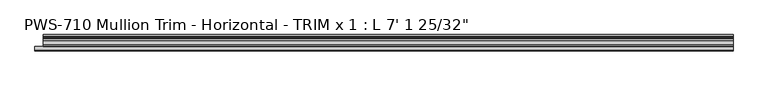
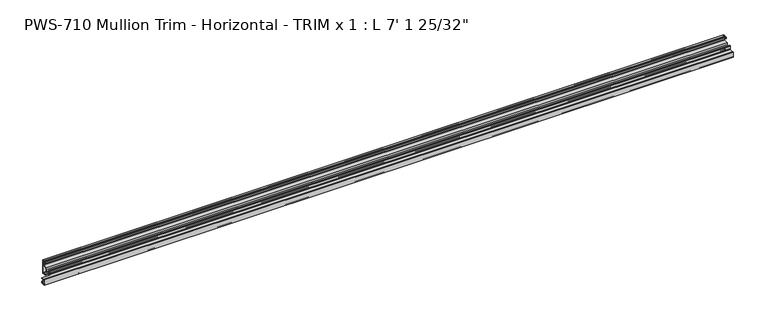
"""IFC4 building model written with IfcOpenShell, lengths in millimetres: proxy geometry."""

import ifcopenshell
import ifcopenshell.guid

model = None  # the IFC model being written
_history = None  # IfcOwnerHistory: only IFC2X3 demands one
_inside = {}  # id of a spatial element -> (the spatial element, [elements in it])
_under = {}  # id of a project, library or spatial element -> (it, [spatial elements below it])
_declared = {}  # id of a project -> (the project, [libraries it declares])
_typed = {}  # id of a type object -> (the type object, [elements of that type])
_made_of = {}  # id of a material, layer set ... -> (it, [elements and type objects made of it])


def new_model(schema):
    """Start an empty IFC model of exactly this schema.

    Asked for "IFC4X3", IfcOpenShell would pick the latest addendum, in which some entities
    have other attributes; the version numbers below select the first issue.
    IFC2X3 requires an IfcOwnerHistory on every rooted entity: one is made here for all.
    """
    global model, _history
    if schema == "IFC4X3":
        model = ifcopenshell.file(schema_version=(4, 3, 0, 0))
    else:
        model = ifcopenshell.file(schema=schema)
    _inside.clear()
    _under.clear()
    _declared.clear()
    _typed.clear()
    _made_of.clear()
    _history = None
    if model.schema == "IFC2X3":
        org = make("IfcOrganization", Name="unknown")
        user = make(
            "IfcPersonAndOrganization",
            ThePerson=make("IfcPerson", FamilyName="unknown"),
            TheOrganization=org,
        )
        app = make(
            "IfcApplication",
            ApplicationDeveloper=org,
            Version="unknown",
            ApplicationFullName="unknown",
            ApplicationIdentifier="unknown",
        )
        _history = make(
            "IfcOwnerHistory",
            OwningUser=user,
            OwningApplication=app,
            ChangeAction="ADDED",
            CreationDate=0,
        )
    return model


def make(cls, **values):
    """One entity of the class cls with the attributes given. An attribute that is None is left unset."""
    return model.create_entity(
        cls, **{name: value for name, value in values.items() if value is not None}
    )


def rooted(cls, **values):
    """An entity with a GlobalId (a new one), such as an element, a storey or a relation."""
    return make(cls, GlobalId=ifcopenshell.guid.new(), OwnerHistory=_history, **values)


def si_unit(unit_type, name, prefix=None):
    """IfcSIUnit, for example si_unit("LENGTHUNIT", "METRE", prefix="MILLI")."""
    return make("IfcSIUnit", UnitType=unit_type, Prefix=prefix, Name=name)


def assignment(units):
    """IfcUnitAssignment: the units of a project."""
    return None if units is None else make("IfcUnitAssignment", Units=units)


def point(xyz):
    """IfcCartesianPoint."""
    return None if xyz is None else make("IfcCartesianPoint", Coordinates=xyz)


def direction(xyz):
    """IfcDirection."""
    return None if xyz is None else make("IfcDirection", DirectionRatios=xyz)


def frame(location, z_axis=None, x_axis=None):
    """IfcAxis2Placement3D, a coordinate frame: its origin and axes. An axis left out is left unset."""
    return make(
        "IfcAxis2Placement3D",
        Location=point(location),
        Axis=direction(z_axis),
        RefDirection=direction(x_axis),
    )


def origin():
    """The frame at (0, 0, 0) with its axes left unset."""
    return frame((0.0, 0.0, 0.0))


def place(relative_to, where):
    """IfcLocalPlacement: puts the frame where relative to a parent placement (None: the world)."""
    return make(
        "IfcLocalPlacement", PlacementRelTo=relative_to, RelativePlacement=where
    )


def context(
    kind, dimensions, precision=None, world=None, true_north=None, identifier=None
):
    """IfcGeometricRepresentationContext, for example the 3D "Model" context."""
    return make(
        "IfcGeometricRepresentationContext",
        ContextIdentifier=identifier,
        ContextType=kind,
        CoordinateSpaceDimension=dimensions,
        Precision=precision,
        WorldCoordinateSystem=world,
        TrueNorth=true_north,
    )


def project(units=None, contexts=None):
    """IfcProject with its units and contexts."""
    return rooted(
        "IfcProject",
        Name="project",
        RepresentationContexts=contexts,
        UnitsInContext=assignment(units),
    )


def spatial(cls, under=None, at=None, **own):
    """A site, building, storey or space (cls), placed at a placement, below another one or the project."""
    s = rooted(cls, ObjectPlacement=at, **own)
    if under is not None:
        _under.setdefault(under.id(), (under, []))[1].append(s)
    return s


def polyline(points):
    """IfcPolyline through the points."""
    return make("IfcPolyline", Points=[point(p) for p in points])


def circle_curve(where, radius):
    """IfcCircle in the frame where."""
    return make("IfcCircle", Position=where, Radius=radius)


def shape(context_of_items, identifier, shape_type, items):
    """IfcShapeRepresentation: the items that make up one representation, for example the "Body"."""
    return make(
        "IfcShapeRepresentation",
        ContextOfItems=context_of_items,
        RepresentationIdentifier=identifier,
        RepresentationType=shape_type,
        Items=items,
    )


def source(mapping_origin, context_of_items, identifier, shape_type, items):
    """IfcRepresentationMap: a shape defined once, which mapped items show again and again."""
    return make(
        "IfcRepresentationMap",
        MappingOrigin=mapping_origin,
        MappedRepresentation=shape(context_of_items, identifier, shape_type, items),
    )


def transform(
    local_origin,
    x_axis=None,
    y_axis=None,
    z_axis=None,
    scale=None,
    scale2=None,
    scale3=None,
    uniform=True,
):
    """IfcCartesianTransformationOperator3D, or its non-uniform kind. x_axis, y_axis, z_axis: its Axis1, 2, 3."""
    if uniform:
        return make(
            "IfcCartesianTransformationOperator3D",
            Axis1=direction(x_axis),
            Axis2=direction(y_axis),
            LocalOrigin=point(local_origin),
            Scale=scale,
            Axis3=direction(z_axis),
        )
    return make(
        "IfcCartesianTransformationOperator3DnonUniform",
        Axis1=direction(x_axis),
        Axis2=direction(y_axis),
        LocalOrigin=point(local_origin),
        Scale=scale,
        Axis3=direction(z_axis),
        Scale2=scale2,
        Scale3=scale3,
    )


def mapped(mapping_source, mapping_target):
    """IfcMappedItem: shows the shape of a source again, moved by a transform."""
    return make(
        "IfcMappedItem", MappingSource=mapping_source, MappingTarget=mapping_target
    )


def made_of(thing, what):
    """Note that an element or type object is made of a material, layer set ...; save() writes the relation."""
    if what is not None:
        _made_of.setdefault(what.id(), (what, []))[1].append(thing)
    return thing


def element(
    cls,
    number,
    at=None,
    inside=None,
    cuts=None,
    type_object=None,
    material=None,
    context=None,
    identifier="Body",
    shape_type=None,
    held_by="IfcProductDefinitionShape",
    body=None,
    shapes=None,
    **own,
):
    """One element of the class cls, such as IfcWall. Its Tag is "e" and its number.

    at: its placement. inside: the storey or other place that contains it. cuts: it is an
    opening in that element (IfcRelVoidsElement). A single representation is given by context,
    identifier, shape_type and body (its items); several are given by shapes. held_by: the class
    of the entity that holds the representations. save() writes the other relations.
    """
    e = rooted(cls, Tag="e%d" % number, ObjectPlacement=at, **own)
    if body is not None:
        shapes = [shape(context, identifier, shape_type, body)]
    if shapes is not None:
        e.Representation = make(held_by, Representations=shapes)
    if inside is not None:
        _inside.setdefault(inside.id(), (inside, []))[1].append(e)
    if cuts is not None:
        rooted(
            "IfcRelVoidsElement", RelatingBuildingElement=cuts, RelatedOpeningElement=e
        )
    if type_object is not None:
        _typed.setdefault(type_object.id(), (type_object, []))[1].append(e)
    return made_of(e, material)


def aggregate(whole, parts):
    """IfcRelAggregates: a whole, such as a stair, and the parts it consists of."""
    return rooted("IfcRelAggregates", RelatingObject=whole, RelatedObjects=parts)


def save(model, path):
    """Write the relations noted so far, then the file.

    IfcRelAggregates (storeys below a building ...), IfcRelContainedInSpatialStructure (elements
    in a storey), IfcRelDefinesByType, IfcRelAssociatesMaterial and IfcRelDeclares: one each for
    every whole, place, type object, material and project.
    """
    for whole, parts in _under.values():
        aggregate(whole, parts)
    for where, things in _inside.values():
        rooted(
            "IfcRelContainedInSpatialStructure",
            RelatedElements=things,
            RelatingStructure=where,
        )
    for kind, things in _typed.values():
        rooted("IfcRelDefinesByType", RelatedObjects=things, RelatingType=kind)
    for what, things in _made_of.values():
        rooted("IfcRelAssociatesMaterial", RelatedObjects=things, RelatingMaterial=what)
    for by, libraries in _declared.values():
        rooted("IfcRelDeclares", RelatingContext=by, RelatedDefinitions=libraries)
    model.write(path)


def plane_surface(at):
    """IfcPlane: the flat surface through the origin of the frame at, square to its z axis."""
    return make("IfcPlane", Position=at)


def cylinder_surface(at, radius):
    """IfcCylindricalSurface: all points at the distance radius from the z axis of the frame at."""
    return make("IfcCylindricalSurface", Position=at, Radius=radius)


def revolved_surface(curve, axis_point, axis_direction):
    """IfcSurfaceOfRevolution: the curve turned about the line through axis_point along axis_direction."""
    return make(
        "IfcSurfaceOfRevolution",
        SweptCurve=make("IfcArbitraryOpenProfileDef", ProfileType="CURVE", Curve=curve),
        AxisPosition=make("IfcAxis1Placement", Location=point(axis_point), Axis=direction(axis_direction)),
    )


def advanced_brep(points, edges, surfaces, faces):
    """IfcAdvancedBrep: a solid bounded by faces that lie on surfaces and meet in shared edges.

    An edge is (start, end): straight between two places in points (the first is 0);
    or (start, end, curve); or (start, end, curve, False) where it runs against its curve.
    A face is (place in surfaces, loops), or (place, loops, False) where it looks against
    its surface's normal. A loop lists edges by number (the first is 1), with a minus sign
    where the edge is run from its end to its start. The first loop is the outer one.
    """
    corners = [point(p) for p in points]
    vertices = [make("IfcVertexPoint", VertexGeometry=c) for c in corners]
    made = []
    for start, end, *more in edges:
        made.append(
            make(
                "IfcEdgeCurve",
                EdgeStart=vertices[start],
                EdgeEnd=vertices[end],
                EdgeGeometry=more[0] if more else make("IfcPolyline", Points=[corners[start], corners[end]]),
                SameSense=more[1] if len(more) > 1 else True,
            )
        )
    hull = []
    for where, loops, *sense in faces:
        bounds = []
        for j, loop in enumerate(loops):
            ring = [make("IfcOrientedEdge", EdgeElement=made[abs(k) - 1], Orientation=k > 0) for k in loop]
            bounds.append(
                make(
                    "IfcFaceOuterBound" if j == 0 else "IfcFaceBound",
                    Bound=make("IfcEdgeLoop", EdgeList=ring),
                    Orientation=True,
                )
            )
        hull.append(make("IfcAdvancedFace", Bounds=bounds, FaceSurface=surfaces[where], SameSense=sense[0] if sense else True))
    return make("IfcAdvancedBrep", Outer=make("IfcClosedShell", CfsFaces=hull))


def proxy_484b7740(model_context):
    return source(origin(), model_context, "Body", "AdvancedBrep", [
        advanced_brep(
        [(2178.84375, -1.5875, 30.95625), (2178.84375, -3.175, 29.36875), (2178.84375, -18.415, 29.36875), (2178.84375, -18.415, 23.4177626), (2178.84375, -32.385, 23.4177626), (2178.84375, -32.385, 29.36875), (2178.84375, -35.56, 29.36875), (2178.84375, -35.56, 27.78125), (2178.84375, -33.9725, 27.78125), (2178.84375, -33.9725, 19.05), (2178.84375, -36.35502, 19.05), (2178.84375, -36.35502, 18.25752), (2178.84375, -35.56, 17.4625), (2178.84375, -33.9725, 17.4625), (2178.84375, -33.9725, 15.875), (2178.84375, -34.76625, 15.875), (2178.84375, -49.2125, 15.875), (2178.84375, -49.2125, 17.907), (2178.84375, -50.8, 17.907), (2178.84375, -50.8, 0.0), (2178.84375, -44.7430936, 0.0), (2178.84375, -43.6245, 0.9083659), (2178.84375, -43.6245, 1.6997088), (2178.84375, -44.5135, 1.6997088), (2178.84375, -44.5135, 4.207924), (2178.84375, -42.1005, 6.35), (2178.84375, -39.6875, 4.207924), (2178.84375, -39.6875, 1.6997088), (2178.84375, -40.5340531, 1.6997088), (2178.84375, -40.4372806, 0.762), (2178.84375, -38.1, 0.762), (2178.84375, -38.1, 4.4357599), (2178.84375, -42.1005, 7.9585261), (2178.84375, -46.101, 4.4357599), (2178.84375, -46.101, 2.38252), (2178.84375, -46.89602, 1.5875), (2178.84375, -48.41748, 1.5875), (2178.84375, -49.2125, 2.38252), (2178.84375, -49.2125, 14.2917752), (2178.84375, -35.56, 14.2917752), (2178.84375, -32.385, 14.2917752), (2178.84375, -32.385, 20.2427626), (2178.84375, -18.415, 20.2427626), (2178.84375, -18.415, 14.2917752), (2178.84375, -15.24, 14.2917752), (2178.84375, -15.24, 15.8792752), (2178.84375, -16.8275, 15.8792752), (2178.84375, -16.8275, 26.19375), (2178.84375, -15.24, 27.78125), (2178.84375, -3.175, 27.78125), (2178.84375, -1.5875, 26.19375), (2178.84375, -1.5875, 2.38252), (2178.84375, -2.38252, 1.5875), (2178.84375, -3.90398, 1.5875), (2178.84375, -4.699, 2.38252), (2178.84375, -4.699, 4.4357599), (2178.84375, -8.6995, 7.9585261), (2178.84375, -12.7, 4.4357599), (2178.84375, -12.7, 0.762), (2178.84375, -10.3627194, 0.762), (2178.84375, -10.2659469, 1.6997088), (2178.84375, -11.1125, 1.6997088), (2178.84375, -11.1125, 4.207924), (2178.84375, -8.6995, 6.35), (2178.84375, -6.2865, 4.207924), (2178.84375, -6.2865, 1.6997088), (2178.84375, -7.1755, 1.6997088), (2178.84375, -7.1755, 0.9083659), (2178.84375, -6.0569064, 0.0), (2178.84375, 0.0, 0.0), (2178.84375, 0.0, 44.45), (2178.84375, -6.0569064, 44.45), (2178.84375, -7.1755, 43.5416341), (2178.84375, -7.1755, 42.7502912), (2178.84375, -6.2865, 42.7502912), (2178.84375, -6.2865, 40.242076), (2178.84375, -8.6995, 38.1), (2178.84375, -11.1125, 40.242076), (2178.84375, -11.1125, 42.7502912), (2178.84375, -10.2659469, 42.7502912), (2178.84375, -10.3627194, 43.688), (2178.84375, -12.7, 43.688), (2178.84375, -12.7, 40.0142401), (2178.84375, -8.6995, 36.4914739), (2178.84375, -4.699, 40.0142401), (2178.84375, -4.699, 42.06748), (2178.84375, -3.90398, 42.8625), (2178.84375, -2.38252, 42.8625), (2178.84375, -1.5875, 42.06748), (0.0, -49.2125, 15.875), (0.0, -36.9194335, 15.875), (0.0, -36.9194335, 14.2917752), (0.0, -49.2125, 14.2917752), (0.0, -49.2125, 2.38252), (0.0, -48.41748, 1.5875), (0.0, -46.89602, 1.5875), (0.0, -46.101, 2.38252), (0.0, -46.101, 4.4357599), (0.0, -42.1005, 7.9585261), (0.0, -38.1, 4.4357599), (0.0, -38.1, 0.762), (0.0, -40.4372806, 0.762), (0.0, -40.5340531, 1.6997088), (0.0, -39.6875, 1.6997088), (0.0, -39.6875, 4.207924), (0.0, -42.1005, 6.35), (0.0, -44.5135, 4.207924), (0.0, -44.5135, 1.6997088), (0.0, -43.6245, 1.6997088), (0.0, -43.6245, 0.9083659), (0.0, -44.7430936, 0.0), (0.0, -50.8, 0.0), (0.0, -50.8, 17.907), (0.0, -49.2125, 17.907), (25.4, -1.5875, 42.06748), (25.4, -1.5875, 30.95625), (25.4, -2.38252, 42.8625), (25.4, -3.90398, 42.8625), (25.4, -4.699, 42.06748), (25.4, -4.699, 40.0142401), (25.4, -8.6995, 36.4914739), (25.4, -12.7, 40.0142401), (25.4, -12.7, 43.688), (25.4, -10.3627194, 43.688), (25.4, -10.2659469, 42.7502912), (25.4, -11.1125, 42.7502912), (25.4, -11.1125, 40.242076), (25.4, -8.6995, 38.1), (25.4, -6.2865, 40.242076), (25.4, -6.2865, 42.7502912), (25.4, -7.1755, 42.7502912), (25.4, -7.1755, 43.5416341), (25.4, -6.0569064, 44.45), (25.4, 0.0, 44.45), (25.4, 0.0, 0.0), (25.4, -6.0569064, 0.0), (25.4, -7.1755, 0.9083659), (25.4, -7.1755, 1.6997088), (25.4, -6.2865, 1.6997088), (25.4, -6.2865, 4.207924), (25.4, -8.6995, 6.35), (25.4, -11.1125, 4.207924), (25.4, -11.1125, 1.6997088), (25.4, -10.2659469, 1.6997088), (25.4, -10.3627194, 0.762), (25.4, -12.7, 0.762), (25.4, -12.7, 4.4357599), (25.4, -8.6995, 7.9585261), (25.4, -4.699, 4.4357599), (25.4, -4.699, 2.38252), (25.4, -3.90398, 1.5875), (25.4, -2.38252, 1.5875), (25.4, -1.5875, 2.38252), (25.4, -1.5875, 26.19375), (25.4, -3.175, 27.78125), (25.4, -15.24, 27.78125), (25.4, -16.8275, 26.19375), (25.4, -16.8275, 15.8792752), (25.4, -15.24, 15.8792752), (25.4, -15.24, 14.2917752), (25.4, -18.415, 14.2917752), (25.4, -18.415, 20.2427626), (25.4, -32.385, 20.2427626), (25.4, -32.385, 14.2917752), (25.4, -35.56, 14.2917752), (25.4, -36.9194335, 14.2917752), (25.4, -34.76625, 15.875), (25.4, -36.9194335, 15.875), (25.4, -33.9725, 15.875), (25.4, -33.9725, 17.4625), (25.4, -35.56, 17.4625), (25.4, -36.35502, 18.25752), (25.4, -36.35502, 19.05), (25.4, -33.9725, 19.05), (25.4, -33.9725, 27.78125), (25.4, -35.56, 27.78125), (25.4, -35.56, 29.36875), (25.4, -32.385, 29.36875), (25.4, -32.385, 23.4177626), (25.4, -18.415, 23.4177626), (25.4, -18.415, 29.36875), (25.4, -3.175, 29.36875)],
        [
            (0, 1, circle_curve(frame((2178.84375, -3.175, 30.95625), z_axis=(-1.0, 0.0, 0.0), x_axis=(0.0, -1.0, 0.0)), 1.5875)),
            (1, 2),
            (2, 3),
            (3, 4),
            (4, 5),
            (5, 6),
            (6, 7),
            (7, 8),
            (8, 9),
            (9, 10),
            (10, 11),
            (11, 12, circle_curve(frame((2178.84375, -35.56, 18.25752), z_axis=(1.0, 0.0, 0.0), x_axis=(0.0, -1.0, 0.0)), 0.79502)),
            (12, 13),
            (13, 14),
            (14, 15),
            (15, 16),
            (16, 17),
            (17, 18),
            (18, 19),
            (19, 20),
            (20, 21, circle_curve(frame((2178.84375, -44.7430936, 1.1429206), z_axis=(1.0, 0.0, 0.0), x_axis=(0.0, -1.0, 0.0)), 1.1429206)),
            (21, 22),
            (22, 23),
            (23, 24),
            (24, 25, circle_curve(frame((2178.84375, -41.4694327, 3.2089841), z_axis=(-1.0, 0.0, 0.0), x_axis=(0.0, -1.0, 0.0)), 3.2037832)),
            (25, 26, circle_curve(frame((2178.84375, -42.7315673, 3.2089841), z_axis=(-1.0, 0.0, 0.0), x_axis=(0.0, -1.0, 0.0)), 3.2037832)),
            (26, 27),
            (27, 28),
            (28, 29, circle_curve(frame((2178.84375, -39.4755121, 1.3351034), z_axis=(1.0, 0.0, 0.0), x_axis=(0.0, -1.0, 0.0)), 1.1195742)),
            (29, 30),
            (30, 31),
            (31, 32, circle_curve(frame((2178.84375, -42.7315673, 3.2089841), z_axis=(1.0, 0.0, 0.0), x_axis=(0.0, -1.0, 0.0)), 4.7912832)),
            (32, 33, circle_curve(frame((2178.84375, -41.4694327, 3.2089841), z_axis=(1.0, 0.0, 0.0), x_axis=(0.0, -1.0, 0.0)), 4.7912832)),
            (33, 34),
            (34, 35, circle_curve(frame((2178.84375, -46.89602, 2.38252), z_axis=(-1.0, 0.0, 0.0), x_axis=(0.0, -1.0, 0.0)), 0.79502)),
            (35, 36),
            (36, 37, circle_curve(frame((2178.84375, -48.41748, 2.38252), z_axis=(-1.0, 0.0, 0.0), x_axis=(0.0, -1.0, 0.0)), 0.79502)),
            (37, 38),
            (38, 39),
            (39, 40),
            (40, 41),
            (41, 42),
            (42, 43),
            (43, 44),
            (44, 45),
            (45, 46),
            (46, 47),
            (47, 48, circle_curve(frame((2178.84375, -15.24, 26.19375), z_axis=(-1.0, 0.0, 0.0), x_axis=(0.0, -1.0, 0.0)), 1.5875)),
            (48, 49),
            (49, 50, circle_curve(frame((2178.84375, -3.175, 26.19375), z_axis=(-1.0, 0.0, 0.0), x_axis=(0.0, -1.0, 0.0)), 1.5875)),
            (50, 51),
            (51, 52, circle_curve(frame((2178.84375, -2.38252, 2.38252), z_axis=(-1.0, 0.0, 0.0), x_axis=(0.0, -1.0, 0.0)), 0.79502)),
            (52, 53),
            (53, 54, circle_curve(frame((2178.84375, -3.90398, 2.38252), z_axis=(-1.0, 0.0, 0.0), x_axis=(0.0, -1.0, 0.0)), 0.79502)),
            (54, 55),
            (55, 56, circle_curve(frame((2178.84375, -9.3305673, 3.2089841), z_axis=(1.0, 0.0, 0.0), x_axis=(0.0, -1.0, 0.0)), 4.7912832)),
            (56, 57, circle_curve(frame((2178.84375, -8.0684327, 3.2089841), z_axis=(1.0, 0.0, 0.0), x_axis=(0.0, -1.0, 0.0)), 4.7912832)),
            (57, 58),
            (58, 59),
            (59, 60, circle_curve(frame((2178.84375, -11.3244879, 1.3351034), z_axis=(1.0, 0.0, 0.0), x_axis=(0.0, -1.0, 0.0)), 1.1195742)),
            (60, 61),
            (61, 62),
            (62, 63, circle_curve(frame((2178.84375, -8.0684327, 3.2089841), z_axis=(-1.0, 0.0, 0.0), x_axis=(0.0, -1.0, 0.0)), 3.2037832)),
            (63, 64, circle_curve(frame((2178.84375, -9.3305673, 3.2089841), z_axis=(-1.0, 0.0, 0.0), x_axis=(0.0, -1.0, 0.0)), 3.2037832)),
            (64, 65),
            (65, 66),
            (66, 67),
            (67, 68, circle_curve(frame((2178.84375, -6.0569064, 1.1429206), z_axis=(1.0, 0.0, 0.0), x_axis=(0.0, -1.0, 0.0)), 1.1429206)),
            (68, 69),
            (69, 70),
            (70, 71),
            (71, 72, circle_curve(frame((2178.84375, -6.0569064, 43.3070794), z_axis=(1.0, 0.0, 0.0), x_axis=(0.0, -1.0, 0.0)), 1.1429206)),
            (72, 73),
            (73, 74),
            (74, 75),
            (75, 76, circle_curve(frame((2178.84375, -9.3305673, 41.2410159), z_axis=(-1.0, 0.0, 0.0), x_axis=(0.0, -1.0, 0.0)), 3.2037832)),
            (76, 77, circle_curve(frame((2178.84375, -8.0684327, 41.2410159), z_axis=(-1.0, 0.0, 0.0), x_axis=(0.0, -1.0, 0.0)), 3.2037832)),
            (77, 78),
            (78, 79),
            (79, 80, circle_curve(frame((2178.84375, -11.3244879, 43.1148966), z_axis=(1.0, 0.0, 0.0), x_axis=(0.0, -1.0, 0.0)), 1.1195742)),
            (80, 81),
            (81, 82),
            (82, 83, circle_curve(frame((2178.84375, -8.0684327, 41.2410159), z_axis=(1.0, 0.0, 0.0), x_axis=(0.0, -1.0, 0.0)), 4.7912832)),
            (83, 84, circle_curve(frame((2178.84375, -9.3305673, 41.2410159), z_axis=(1.0, 0.0, 0.0), x_axis=(0.0, -1.0, 0.0)), 4.7912832)),
            (84, 85),
            (85, 86, circle_curve(frame((2178.84375, -3.90398, 42.06748), z_axis=(-1.0, 0.0, 0.0), x_axis=(0.0, -1.0, 0.0)), 0.79502)),
            (86, 87),
            (87, 88, circle_curve(frame((2178.84375, -2.38252, 42.06748), z_axis=(-1.0, 0.0, 0.0), x_axis=(0.0, -1.0, 0.0)), 0.79502)),
            (88, 0),
            (89, 90),
            (90, 91),
            (91, 92),
            (92, 93),
            (93, 94, circle_curve(frame((0.0, -48.41748, 2.38252), z_axis=(1.0, 0.0, 0.0), x_axis=(0.0, -1.0, 0.0)), 0.79502)),
            (94, 95),
            (95, 96, circle_curve(frame((0.0, -46.89602, 2.38252), z_axis=(1.0, 0.0, 0.0), x_axis=(0.0, -1.0, 0.0)), 0.79502)),
            (96, 97),
            (97, 98, circle_curve(frame((0.0, -41.4694327, 3.2089841), z_axis=(-1.0, 0.0, 0.0), x_axis=(0.0, -1.0, 0.0)), 4.7912832)),
            (98, 99, circle_curve(frame((0.0, -42.7315673, 3.2089841), z_axis=(-1.0, 0.0, 0.0), x_axis=(0.0, -1.0, 0.0)), 4.7912832)),
            (99, 100),
            (100, 101),
            (101, 102, circle_curve(frame((0.0, -39.4755121, 1.3351034), z_axis=(-1.0, 0.0, 0.0), x_axis=(0.0, -1.0, 0.0)), 1.1195742)),
            (102, 103),
            (103, 104),
            (104, 105, circle_curve(frame((0.0, -42.7315673, 3.2089841), z_axis=(1.0, 0.0, 0.0), x_axis=(0.0, -1.0, 0.0)), 3.2037832)),
            (105, 106, circle_curve(frame((0.0, -41.4694327, 3.2089841), z_axis=(1.0, 0.0, 0.0), x_axis=(0.0, -1.0, 0.0)), 3.2037832)),
            (106, 107),
            (107, 108),
            (108, 109),
            (109, 110, circle_curve(frame((0.0, -44.7430936, 1.1429206), z_axis=(-1.0, 0.0, 0.0), x_axis=(0.0, -1.0, 0.0)), 1.1429206)),
            (110, 111),
            (111, 112),
            (112, 113),
            (113, 89),
            (88, 114),
            (114, 115),
            (115, 0),
            (87, 116),
            (116, 114, circle_curve(frame((25.4, -2.38252, 42.06748), z_axis=(-1.0, 0.0, 0.0), x_axis=(0.0, -1.0, 0.0)), 0.79502)),
            (86, 117),
            (117, 116),
            (85, 118),
            (118, 117, circle_curve(frame((25.4, -3.90398, 42.06748), z_axis=(-1.0, 0.0, 0.0), x_axis=(0.0, -1.0, 0.0)), 0.79502)),
            (84, 119),
            (119, 118),
            (83, 120),
            (120, 119, circle_curve(frame((25.4, -9.3305673, 41.2410159), z_axis=(1.0, 0.0, 0.0), x_axis=(0.0, -1.0, 0.0)), 4.7912832)),
            (82, 121),
            (121, 120, circle_curve(frame((25.4, -8.0684327, 41.2410159), z_axis=(1.0, 0.0, 0.0), x_axis=(0.0, -1.0, 0.0)), 4.7912832)),
            (81, 122),
            (122, 121),
            (80, 123),
            (123, 122),
            (79, 124),
            (124, 123, circle_curve(frame((25.4, -11.3244879, 43.1148966), z_axis=(1.0, 0.0, 0.0), x_axis=(0.0, -1.0, 0.0)), 1.1195742)),
            (78, 125),
            (125, 124),
            (77, 126),
            (126, 125),
            (76, 127),
            (127, 126, circle_curve(frame((25.4, -8.0684327, 41.2410159), z_axis=(-1.0, 0.0, 0.0), x_axis=(0.0, -1.0, 0.0)), 3.2037832)),
            (75, 128),
            (128, 127, circle_curve(frame((25.4, -9.3305673, 41.2410159), z_axis=(-1.0, 0.0, 0.0), x_axis=(0.0, -1.0, 0.0)), 3.2037832)),
            (74, 129),
            (129, 128),
            (73, 130),
            (130, 129),
            (72, 131),
            (131, 130),
            (71, 132),
            (132, 131, circle_curve(frame((25.4, -6.0569064, 43.3070794), z_axis=(1.0, 0.0, 0.0), x_axis=(0.0, -1.0, 0.0)), 1.1429206)),
            (70, 133),
            (133, 132),
            (69, 134),
            (134, 133),
            (68, 135),
            (135, 134),
            (67, 136),
            (136, 135, circle_curve(frame((25.4, -6.0569064, 1.1429206), z_axis=(1.0, 0.0, 0.0), x_axis=(0.0, -1.0, 0.0)), 1.1429206)),
            (66, 137),
            (137, 136),
            (65, 138),
            (138, 137),
            (64, 139),
            (139, 138),
            (63, 140),
            (140, 139, circle_curve(frame((25.4, -9.3305673, 3.2089841), z_axis=(-1.0, 0.0, 0.0), x_axis=(0.0, -1.0, 0.0)), 3.2037832)),
            (62, 141),
            (141, 140, circle_curve(frame((25.4, -8.0684327, 3.2089841), z_axis=(-1.0, 0.0, 0.0), x_axis=(0.0, -1.0, 0.0)), 3.2037832)),
            (61, 142),
            (142, 141),
            (60, 143),
            (143, 142),
            (59, 144),
            (144, 143, circle_curve(frame((25.4, -11.3244879, 1.3351034), z_axis=(1.0, 0.0, 0.0), x_axis=(0.0, -1.0, 0.0)), 1.1195742)),
            (58, 145),
            (145, 144),
            (57, 146),
            (146, 145),
            (56, 147),
            (147, 146, circle_curve(frame((25.4, -8.0684327, 3.2089841), z_axis=(1.0, 0.0, 0.0), x_axis=(0.0, -1.0, 0.0)), 4.7912832)),
            (55, 148),
            (148, 147, circle_curve(frame((25.4, -9.3305673, 3.2089841), z_axis=(1.0, 0.0, 0.0), x_axis=(0.0, -1.0, 0.0)), 4.7912832)),
            (54, 149),
            (149, 148),
            (53, 150),
            (150, 149, circle_curve(frame((25.4, -3.90398, 2.38252), z_axis=(-1.0, 0.0, 0.0), x_axis=(0.0, -1.0, 0.0)), 0.79502)),
            (52, 151),
            (151, 150),
            (51, 152),
            (152, 151, circle_curve(frame((25.4, -2.38252, 2.38252), z_axis=(-1.0, 0.0, 0.0), x_axis=(0.0, -1.0, 0.0)), 0.79502)),
            (50, 153),
            (153, 152),
            (49, 154),
            (154, 153, circle_curve(frame((25.4, -3.175, 26.19375), z_axis=(-1.0, 0.0, 0.0), x_axis=(0.0, -1.0, 0.0)), 1.5875)),
            (48, 155),
            (155, 154),
            (47, 156),
            (156, 155, circle_curve(frame((25.4, -15.24, 26.19375), z_axis=(-1.0, 0.0, 0.0), x_axis=(0.0, -1.0, 0.0)), 1.5875)),
            (46, 157),
            (157, 156),
            (45, 158),
            (158, 157),
            (44, 159),
            (159, 158),
            (43, 160),
            (160, 159),
            (42, 161),
            (161, 160),
            (41, 162),
            (162, 161),
            (40, 163),
            (163, 162),
            (39, 164),
            (164, 163),
            (38, 92),
            (91, 165),
            (165, 164),
            (37, 93),
            (36, 94),
            (35, 95),
            (34, 96),
            (33, 97),
            (32, 98),
            (31, 99),
            (30, 100),
            (29, 101),
            (28, 102),
            (27, 103),
            (26, 104),
            (25, 105),
            (24, 106),
            (23, 107),
            (22, 108),
            (21, 109),
            (20, 110),
            (19, 111),
            (18, 112),
            (17, 113),
            (16, 89),
            (15, 166),
            (166, 167),
            (167, 90),
            (14, 168),
            (168, 166),
            (13, 169),
            (169, 168),
            (12, 170),
            (170, 169),
            (11, 171),
            (171, 170, circle_curve(frame((25.4, -35.56, 18.25752), z_axis=(1.0, 0.0, 0.0), x_axis=(0.0, -1.0, 0.0)), 0.79502)),
            (10, 172),
            (172, 171),
            (9, 173),
            (173, 172),
            (8, 174),
            (174, 173),
            (7, 175),
            (175, 174),
            (6, 176),
            (176, 175),
            (5, 177),
            (177, 176),
            (4, 178),
            (178, 177),
            (3, 179),
            (179, 178),
            (2, 180),
            (180, 179),
            (1, 181),
            (181, 180),
            (115, 181, circle_curve(frame((25.4, -3.175, 30.95625), z_axis=(-1.0, 0.0, 0.0), x_axis=(0.0, -1.0, 0.0)), 1.5875)),
            (167, 165),
        ],
        [
            plane_surface(frame((2178.84375, -1.5875, 30.95625), z_axis=(1.0, 0.0, 0.0), x_axis=(0.0, 0.0, 1.0))),
            plane_surface(frame((0.0, -1.5875, 30.95625), z_axis=(-1.0, 0.0, 0.0), x_axis=(0.0, 0.0, -1.0))),
            plane_surface(frame((2178.84375, -1.5875, 30.95625), z_axis=(0.0, -1.0, 0.0), x_axis=(-1.0, 0.0, 0.0))),
            revolved_surface(polyline([(25.4, -3.17754, 42.06748), (2178.84375, -3.17754, 42.06748)]), (0.0, -2.38252, 42.06748), (-1.0, 0.0, 0.0)),
            plane_surface(frame((2178.84375, -2.38252, 42.8625), z_axis=(0.0, 0.0, -1.0), x_axis=(-1.0, 0.0, 0.0))),
            revolved_surface(polyline([(25.4, -4.699, 42.06748), (2178.84375, -4.699, 42.06748)]), (0.0, -3.90398, 42.06748), (-1.0, 0.0, 0.0)),
            plane_surface(frame((2178.84375, -4.699, 42.06748), z_axis=(0.0, 1.0, 0.0), x_axis=(-1.0, 0.0, 0.0))),
            cylinder_surface(frame((0.0, -9.3305673, 41.2410159), z_axis=(1.0, 0.0, 0.0), x_axis=(0.0, -1.0, 0.0)), 4.7912832),
            cylinder_surface(frame((0.0, -8.0684327, 41.2410159), z_axis=(1.0, 0.0, 0.0), x_axis=(0.0, -1.0, 0.0)), 4.7912832),
            plane_surface(frame((2178.84375, -12.7, 40.0142401), z_axis=(0.0, -1.0, 0.0), x_axis=(-1.0, 0.0, 0.0))),
            plane_surface(frame((2178.84375, -12.7, 43.688), z_axis=(0.0, 0.0, 1.0), x_axis=(-1.0, 0.0, 0.0))),
            cylinder_surface(frame((0.0, -11.3244879, 43.1148966), z_axis=(1.0, 0.0, 0.0), x_axis=(0.0, -1.0, 0.0)), 1.1195742),
            plane_surface(frame((2178.84375, -10.2659469, 42.7502912), z_axis=(0.0, 0.0, -1.0), x_axis=(-1.0, 0.0, 0.0))),
            plane_surface(frame((2178.84375, -11.1125, 42.7502912), z_axis=(0.0, 1.0, 0.0), x_axis=(-1.0, 0.0, 0.0))),
            revolved_surface(polyline([(25.4, -11.2722159, 41.2410159), (2178.84375, -11.2722159, 41.2410159)]), (0.0, -8.0684327, 41.2410159), (-1.0, 0.0, 0.0)),
            revolved_surface(polyline([(25.4, -12.5343505, 41.2410159), (2178.84375, -12.5343505, 41.2410159)]), (0.0, -9.3305673, 41.2410159), (-1.0, 0.0, 0.0)),
            plane_surface(frame((2178.84375, -6.2865, 40.242076), z_axis=(0.0, -1.0, 0.0), x_axis=(-1.0, 0.0, 0.0))),
            plane_surface(frame((2178.84375, -6.2865, 42.7502912), z_axis=(0.0, 0.0, -1.0), x_axis=(-1.0, 0.0, 0.0))),
            plane_surface(frame((2178.84375, -7.1755, 42.7502912), z_axis=(0.0, -1.0, 0.0), x_axis=(-1.0, 0.0, 0.0))),
            cylinder_surface(frame((0.0, -6.0569064, 43.3070794), z_axis=(1.0, 0.0, 0.0), x_axis=(0.0, -1.0, 0.0)), 1.1429206),
            plane_surface(frame((2178.84375, -6.0569064, 44.45), z_axis=(0.0, 0.0, 1.0), x_axis=(-1.0, 0.0, 0.0))),
            plane_surface(frame((2178.84375, 0.0, 44.45), z_axis=(0.0, 1.0, 0.0), x_axis=(-1.0, 0.0, 0.0))),
            plane_surface(frame((2178.84375, 0.0, 0.0), z_axis=(0.0, 0.0, -1.0), x_axis=(-1.0, 0.0, 0.0))),
            cylinder_surface(frame((0.0, -6.0569064, 1.1429206), z_axis=(1.0, 0.0, 0.0), x_axis=(0.0, -1.0, 0.0)), 1.1429206),
            plane_surface(frame((2178.84375, -7.1755, 0.9083659), z_axis=(0.0, -1.0, 0.0), x_axis=(-1.0, 0.0, 0.0))),
            plane_surface(frame((2178.84375, -7.1755, 1.6997088), z_axis=(0.0, 0.0, 1.0), x_axis=(-1.0, 0.0, 0.0))),
            plane_surface(frame((2178.84375, -6.2865, 1.6997088), z_axis=(0.0, -1.0, 0.0), x_axis=(-1.0, 0.0, 0.0))),
            revolved_surface(polyline([(25.4, -12.5343505, 3.2089841), (2178.84375, -12.5343505, 3.2089841)]), (0.0, -9.3305673, 3.2089841), (-1.0, 0.0, 0.0)),
            revolved_surface(polyline([(25.4, -11.2722159, 3.2089841), (2178.84375, -11.2722159, 3.2089841)]), (0.0, -8.0684327, 3.2089841), (-1.0, 0.0, 0.0)),
            plane_surface(frame((2178.84375, -11.1125, 4.207924), z_axis=(0.0, 1.0, 0.0), x_axis=(-1.0, 0.0, 0.0))),
            plane_surface(frame((2178.84375, -11.1125, 1.6997088), z_axis=(0.0, 0.0, 1.0), x_axis=(-1.0, 0.0, 0.0))),
            cylinder_surface(frame((0.0, -11.3244879, 1.3351034), z_axis=(1.0, 0.0, 0.0), x_axis=(0.0, -1.0, 0.0)), 1.1195742),
            plane_surface(frame((2178.84375, -10.3627194, 0.762), z_axis=(0.0, 0.0, -1.0), x_axis=(-1.0, 0.0, 0.0))),
            plane_surface(frame((2178.84375, -12.7, 0.762), z_axis=(0.0, -1.0, 0.0), x_axis=(-1.0, 0.0, 0.0))),
            cylinder_surface(frame((0.0, -8.0684327, 3.2089841), z_axis=(1.0, 0.0, 0.0), x_axis=(0.0, -1.0, 0.0)), 4.7912832),
            cylinder_surface(frame((0.0, -9.3305673, 3.2089841), z_axis=(1.0, 0.0, 0.0), x_axis=(0.0, -1.0, 0.0)), 4.7912832),
            plane_surface(frame((2178.84375, -4.699, 4.4357599), z_axis=(0.0, 1.0, 0.0), x_axis=(-1.0, 0.0, 0.0))),
            revolved_surface(polyline([(25.4, -4.699, 2.38252), (2178.84375, -4.699, 2.38252)]), (0.0, -3.90398, 2.38252), (-1.0, 0.0, 0.0)),
            plane_surface(frame((2178.84375, -3.90398, 1.5875), z_axis=(0.0, 0.0, 1.0), x_axis=(-1.0, 0.0, 0.0))),
            revolved_surface(polyline([(25.4, -3.17754, 2.38252), (2178.84375, -3.17754, 2.38252)]), (0.0, -2.38252, 2.38252), (-1.0, 0.0, 0.0)),
            plane_surface(frame((2178.84375, -1.5875, 2.38252), z_axis=(0.0, -1.0, 0.0), x_axis=(-1.0, 0.0, 0.0))),
            revolved_surface(polyline([(25.4, -4.762499999999999, 26.19375), (2178.84375, -4.762499999999999, 26.19375)]), (0.0, -3.175, 26.19375), (-1.0, 0.0, 0.0)),
            plane_surface(frame((2178.84375, -3.175, 27.78125), z_axis=(0.0, 0.0, -1.0), x_axis=(-1.0, 0.0, 0.0))),
            revolved_surface(polyline([(25.4, -16.8275, 26.19375), (2178.84375, -16.8275, 26.19375)]), (0.0, -15.24, 26.19375), (-1.0, 0.0, 0.0)),
            plane_surface(frame((2178.84375, -16.8275, 26.19375), z_axis=(0.0, 1.0, 0.0), x_axis=(-1.0, 0.0, 0.0))),
            plane_surface(frame((2178.84375, -16.8275, 15.8792752), z_axis=(0.0, 0.0, 1.0), x_axis=(-1.0, 0.0, 0.0))),
            plane_surface(frame((2178.84375, -15.24, 15.8792752), z_axis=(0.0, 1.0, 0.0), x_axis=(-1.0, 0.0, 0.0))),
            plane_surface(frame((2178.84375, -15.24, 14.2917752), z_axis=(0.0, 0.0, -1.0), x_axis=(-1.0, 0.0, 0.0))),
            plane_surface(frame((2178.84375, -18.415, 14.2917752), z_axis=(0.0, -1.0, 0.0), x_axis=(-1.0, 0.0, 0.0))),
            plane_surface(frame((2178.84375, -18.415, 20.2427626), z_axis=(0.0, 0.0, -1.0), x_axis=(-1.0, 0.0, 0.0))),
            plane_surface(frame((2178.84375, -32.385, 20.2427626), z_axis=(0.0, 1.0, 0.0), x_axis=(-1.0, 0.0, 0.0))),
            plane_surface(frame((2178.84375, -32.385, 14.2917752), z_axis=(0.0, 0.0, -1.0), x_axis=(-1.0, 0.0, 0.0))),
            plane_surface(frame((2178.84375, -35.56, 14.2917752), z_axis=(0.0, 0.0, -1.0), x_axis=(-1.0, 0.0, 0.0))),
            plane_surface(frame((2178.84375, -49.2125, 14.2917752), z_axis=(0.0, 1.0, 0.0), x_axis=(-1.0, 0.0, 0.0))),
            revolved_surface(polyline([(0.0, -49.2125, 2.38252), (2178.84375, -49.2125, 2.38252)]), (0.0, -48.41748, 2.38252), (-1.0, 0.0, 0.0)),
            plane_surface(frame((2178.84375, -48.41748, 1.5875), z_axis=(0.0, 0.0, 1.0), x_axis=(-1.0, 0.0, 0.0))),
            revolved_surface(polyline([(0.0, -47.69104, 2.38252), (2178.84375, -47.69104, 2.38252)]), (0.0, -46.89602, 2.38252), (-1.0, 0.0, 0.0)),
            plane_surface(frame((2178.84375, -46.101, 2.38252), z_axis=(0.0, -1.0, 0.0), x_axis=(-1.0, 0.0, 0.0))),
            cylinder_surface(frame((0.0, -41.4694327, 3.2089841), z_axis=(1.0, 0.0, 0.0), x_axis=(0.0, -1.0, 0.0)), 4.7912832),
            cylinder_surface(frame((0.0, -42.7315673, 3.2089841), z_axis=(1.0, 0.0, 0.0), x_axis=(0.0, -1.0, 0.0)), 4.7912832),
            plane_surface(frame((2178.84375, -38.1, 4.4357599), z_axis=(0.0, 1.0, 0.0), x_axis=(-1.0, 0.0, 0.0))),
            plane_surface(frame((2178.84375, -38.1, 0.762), z_axis=(0.0, 0.0, -1.0), x_axis=(-1.0, 0.0, 0.0))),
            cylinder_surface(frame((0.0, -39.4755121, 1.3351034), z_axis=(1.0, 0.0, 0.0), x_axis=(0.0, -1.0, 0.0)), 1.1195742),
            plane_surface(frame((2178.84375, -40.5340531, 1.6997088), z_axis=(0.0, 0.0, 1.0), x_axis=(-1.0, 0.0, 0.0))),
            plane_surface(frame((2178.84375, -39.6875, 1.6997088), z_axis=(0.0, -1.0, 0.0), x_axis=(-1.0, 0.0, 0.0))),
            revolved_surface(polyline([(0.0, -45.9353505, 3.2089841), (2178.84375, -45.9353505, 3.2089841)]), (0.0, -42.7315673, 3.2089841), (-1.0, 0.0, 0.0)),
            revolved_surface(polyline([(0.0, -44.6732159, 3.2089841), (2178.84375, -44.6732159, 3.2089841)]), (0.0, -41.4694327, 3.2089841), (-1.0, 0.0, 0.0)),
            plane_surface(frame((2178.84375, -44.5135, 4.207924), z_axis=(0.0, 1.0, 0.0), x_axis=(-1.0, 0.0, 0.0))),
            plane_surface(frame((2178.84375, -44.5135, 1.6997088), z_axis=(0.0, 0.0, 1.0), x_axis=(-1.0, 0.0, 0.0))),
            plane_surface(frame((2178.84375, -43.6245, 1.6997088), z_axis=(0.0, 1.0, 0.0), x_axis=(-1.0, 0.0, 0.0))),
            cylinder_surface(frame((0.0, -44.7430936, 1.1429206), z_axis=(1.0, 0.0, 0.0), x_axis=(0.0, -1.0, 0.0)), 1.1429206),
            plane_surface(frame((2178.84375, -44.7430936, 0.0), z_axis=(0.0, 0.0, -1.0), x_axis=(-1.0, 0.0, 0.0))),
            plane_surface(frame((2178.84375, -50.8, 0.0), z_axis=(0.0, -1.0, 0.0), x_axis=(-1.0, 0.0, 0.0))),
            plane_surface(frame((2178.84375, -50.8, 17.907), z_axis=(0.0, 0.0, 1.0), x_axis=(-1.0, 0.0, 0.0))),
            plane_surface(frame((2178.84375, -49.2125, 17.907), z_axis=(0.0, 1.0, 0.0), x_axis=(-1.0, 0.0, 0.0))),
            plane_surface(frame((2178.84375, -49.2125, 15.875), z_axis=(0.0, 0.0, 1.0), x_axis=(-1.0, 0.0, 0.0))),
            plane_surface(frame((2178.84375, -34.76625, 15.875), z_axis=(0.0, 0.0, 1.0), x_axis=(-1.0, 0.0, 0.0))),
            plane_surface(frame((2178.84375, -33.9725, 15.875), z_axis=(0.0, -1.0, 0.0), x_axis=(-1.0, 0.0, 0.0))),
            plane_surface(frame((2178.84375, -33.9725, 17.4625), z_axis=(0.0, 0.0, -1.0), x_axis=(-1.0, 0.0, 0.0))),
            cylinder_surface(frame((0.0, -35.56, 18.25752), z_axis=(1.0, 0.0, 0.0), x_axis=(0.0, -1.0, 0.0)), 0.79502),
            plane_surface(frame((2178.84375, -36.35502, 18.25752), z_axis=(0.0, -1.0, 0.0), x_axis=(-1.0, 0.0, 0.0))),
            plane_surface(frame((2178.84375, -36.35502, 19.05), z_axis=(0.0, 0.0, 1.0), x_axis=(-1.0, 0.0, 0.0))),
            plane_surface(frame((2178.84375, -33.9725, 19.05), z_axis=(0.0, -1.0, 0.0), x_axis=(-1.0, 0.0, 0.0))),
            plane_surface(frame((2178.84375, -33.9725, 27.78125), z_axis=(0.0, 0.0, -1.0), x_axis=(-1.0, 0.0, 0.0))),
            plane_surface(frame((2178.84375, -35.56, 27.78125), z_axis=(0.0, -1.0, 0.0), x_axis=(-1.0, 0.0, 0.0))),
            plane_surface(frame((2178.84375, -35.56, 29.36875), z_axis=(0.0, 0.0, 1.0), x_axis=(-1.0, 0.0, 0.0))),
            plane_surface(frame((2178.84375, -32.385, 29.36875), z_axis=(0.0, 1.0, 0.0), x_axis=(-1.0, 0.0, 0.0))),
            plane_surface(frame((2178.84375, -32.385, 23.4177626), z_axis=(0.0, 0.0, 1.0), x_axis=(-1.0, 0.0, 0.0))),
            plane_surface(frame((2178.84375, -18.415, 23.4177626), z_axis=(0.0, -1.0, 0.0), x_axis=(-1.0, 0.0, 0.0))),
            plane_surface(frame((2178.84375, -18.415, 29.36875), z_axis=(0.0, 0.0, 1.0), x_axis=(-1.0, 0.0, 0.0))),
            revolved_surface(polyline([(25.4, -4.762499999999999, 30.95625), (2178.84375, -4.762499999999999, 30.95625)]), (0.0, -3.175, 30.95625), (-1.0, 0.0, 0.0)),
            plane_surface(frame((25.4, -36.9194335, 45.0726864), z_axis=(0.0, 1.0, 0.0), x_axis=(0.0, 0.0, -1.0))),
            plane_surface(frame((25.4, 0.0, 45.0726864), z_axis=(-1.0, 0.0, 0.0), x_axis=(0.0, 0.0, -1.0))),
        ],
        [
            (0, [[1, 2, 3, 4, 5, 6, 7, 8, 9, 10, 11, 12, 13, 14, 15, 16, 17, 18, 19, 20, 21, 22, 23, 24, 25, 26, 27, 28, 29, 30, 31, 32, 33, 34, 35, 36, 37, 38, 39, 40, 41, 42, 43, 44, 45, 46, 47, 48, 49, 50, 51, 52, 53, 54, 55, 56, 57, 58, 59, 60, 61, 62, 63, 64, 65, 66, 67, 68, 69, 70, 71, 72, 73, 74, 75, 76, 77, 78, 79, 80, 81, 82, 83, 84, 85, 86, 87, 88, 89]]),
            (1, [[90, 91, 92, 93, 94, 95, 96, 97, 98, 99, 100, 101, 102, 103, 104, 105, 106, 107, 108, 109, 110, 111, 112, 113, 114]]),
            (2, [[115, 116, 117, -89]]),
            (3, [[118, 119, -115, -88]]),
            (4, [[120, 121, -118, -87]]),
            (5, [[122, 123, -120, -86]]),
            (6, [[124, 125, -122, -85]]),
            (7, [[126, 127, -124, -84]]),
            (8, [[128, 129, -126, -83]]),
            (9, [[130, 131, -128, -82]]),
            (10, [[132, 133, -130, -81]]),
            (11, [[134, 135, -132, -80]]),
            (12, [[136, 137, -134, -79]]),
            (13, [[138, 139, -136, -78]]),
            (14, [[140, 141, -138, -77]]),
            (15, [[142, 143, -140, -76]]),
            (16, [[144, 145, -142, -75]]),
            (17, [[146, 147, -144, -74]]),
            (18, [[148, 149, -146, -73]]),
            (19, [[150, 151, -148, -72]]),
            (20, [[152, 153, -150, -71]]),
            (21, [[154, 155, -152, -70]]),
            (22, [[156, 157, -154, -69]]),
            (23, [[158, 159, -156, -68]]),
            (24, [[160, 161, -158, -67]]),
            (25, [[162, 163, -160, -66]]),
            (26, [[164, 165, -162, -65]]),
            (27, [[166, 167, -164, -64]]),
            (28, [[168, 169, -166, -63]]),
            (29, [[170, 171, -168, -62]]),
            (30, [[172, 173, -170, -61]]),
            (31, [[174, 175, -172, -60]]),
            (32, [[176, 177, -174, -59]]),
            (33, [[178, 179, -176, -58]]),
            (34, [[180, 181, -178, -57]]),
            (35, [[182, 183, -180, -56]]),
            (36, [[184, 185, -182, -55]]),
            (37, [[186, 187, -184, -54]]),
            (38, [[188, 189, -186, -53]]),
            (39, [[190, 191, -188, -52]]),
            (40, [[192, 193, -190, -51]]),
            (41, [[194, 195, -192, -50]]),
            (42, [[196, 197, -194, -49]]),
            (43, [[198, 199, -196, -48]]),
            (44, [[200, 201, -198, -47]]),
            (45, [[202, 203, -200, -46]]),
            (46, [[204, 205, -202, -45]]),
            (47, [[206, 207, -204, -44]]),
            (48, [[208, 209, -206, -43]]),
            (49, [[210, 211, -208, -42]]),
            (50, [[212, 213, -210, -41]]),
            (51, [[214, 215, -212, -40]]),
            (52, [[216, -92, 217, 218, -214, -39]]),
            (53, [[219, -93, -216, -38]]),
            (54, [[220, -94, -219, -37]]),
            (55, [[221, -95, -220, -36]]),
            (56, [[222, -96, -221, -35]]),
            (57, [[223, -97, -222, -34]]),
            (58, [[224, -98, -223, -33]]),
            (59, [[225, -99, -224, -32]]),
            (60, [[226, -100, -225, -31]]),
            (61, [[227, -101, -226, -30]]),
            (62, [[228, -102, -227, -29]]),
            (63, [[229, -103, -228, -28]]),
            (64, [[230, -104, -229, -27]]),
            (65, [[231, -105, -230, -26]]),
            (66, [[232, -106, -231, -25]]),
            (67, [[233, -107, -232, -24]]),
            (68, [[234, -108, -233, -23]]),
            (69, [[235, -109, -234, -22]]),
            (70, [[236, -110, -235, -21]]),
            (71, [[237, -111, -236, -20]]),
            (72, [[238, -112, -237, -19]]),
            (73, [[239, -113, -238, -18]]),
            (74, [[240, -114, -239, -17]]),
            (75, [[241, 242, 243, -90, -240, -16]]),
            (76, [[244, 245, -241, -15]]),
            (77, [[246, 247, -244, -14]]),
            (78, [[248, 249, -246, -13]]),
            (79, [[250, 251, -248, -12]]),
            (80, [[252, 253, -250, -11]]),
            (81, [[254, 255, -252, -10]]),
            (82, [[256, 257, -254, -9]]),
            (83, [[258, 259, -256, -8]]),
            (84, [[260, 261, -258, -7]]),
            (85, [[262, 263, -260, -6]]),
            (86, [[264, 265, -262, -5]]),
            (87, [[266, 267, -264, -4]]),
            (88, [[268, 269, -266, -3]]),
            (89, [[270, 271, -268, -2]]),
            (90, [[-117, 272, -270, -1]]),
            (91, [[-217, -91, -243, 273]]),
            (92, [[-242, -245, -247, -249, -251, -253, -255, -257, -259, -261, -263, -265, -267, -269, -271, -272, -116, -119, -121, -123, -125, -127, -129, -131, -133, -135, -137, -139, -141, -143, -145, -147, -149, -151, -153, -155, -157, -159, -161, -163, -165, -167, -169, -171, -173, -175, -177, -179, -181, -183, -185, -187, -189, -191, -193, -195, -197, -199, -201, -203, -205, -207, -209, -211, -213, -215, -218, -273]]),
        ],
    ),
    ])


if __name__ == "__main__":
    model = new_model("IFC4")
    model_context = context("Model", 3, world=origin())
    ifc_project = project(units=[si_unit("LENGTHUNIT", "METRE", prefix="MILLI")], contexts=[model_context])
    site = spatial("IfcSite", under=ifc_project)
    building = spatial("IfcBuilding", under=site)
    placement = place(None, origin())
    proxy_shape = proxy_484b7740(model_context)
    element("IfcBuildingElementProxy", 1, Name="PWS-710 Mullion Trim - Horizontal - TRIM x 1 : L 7' 1 25/32\"", ObjectType="PWS-710 Mullion Trim - Horizontal - TRIM x 1 : L 7' 1 25/32\"", at=placement, inside=building, context=model_context, shape_type="MappedRepresentation", body=[
        mapped(proxy_shape, transform((0.0, 0.0, 0.0), x_axis=(1.0, 0.0, 0.0), y_axis=(0.0, 1.0, 0.0), z_axis=(0.0, 0.0, 1.0))),
    ])
    save(model, "model.ifc")
